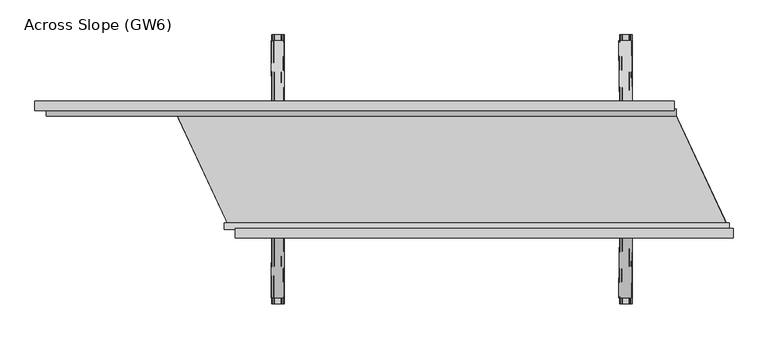
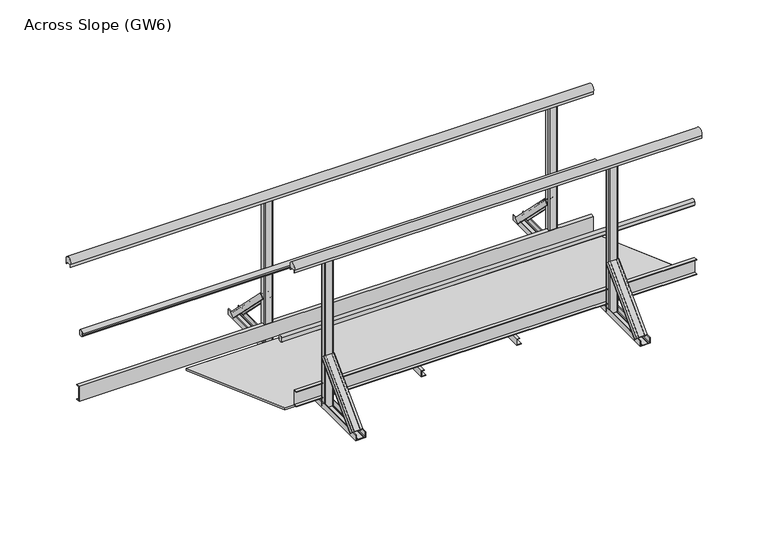
"""IFC4 building model written with IfcOpenShell, lengths in millimetres: proxy geometry, Across Slope (GW6)."""

import ifcopenshell
import ifcopenshell.guid

model = None  # the IFC model being written
_history = None  # IfcOwnerHistory: only IFC2X3 demands one
_inside = {}  # id of a spatial element -> (the spatial element, [elements in it])
_under = {}  # id of a project, library or spatial element -> (it, [spatial elements below it])
_declared = {}  # id of a project -> (the project, [libraries it declares])
_typed = {}  # id of a type object -> (the type object, [elements of that type])
_made_of = {}  # id of a material, layer set ... -> (it, [elements and type objects made of it])


def new_model(schema):
    """Start an empty IFC model of exactly this schema.

    Asked for "IFC4X3", IfcOpenShell would pick the latest addendum, in which some entities
    have other attributes; the version numbers below select the first issue.
    IFC2X3 requires an IfcOwnerHistory on every rooted entity: one is made here for all.
    """
    global model, _history
    if schema == "IFC4X3":
        model = ifcopenshell.file(schema_version=(4, 3, 0, 0))
    else:
        model = ifcopenshell.file(schema=schema)
    _inside.clear()
    _under.clear()
    _declared.clear()
    _typed.clear()
    _made_of.clear()
    _history = None
    if model.schema == "IFC2X3":
        org = make("IfcOrganization", Name="unknown")
        user = make(
            "IfcPersonAndOrganization",
            ThePerson=make("IfcPerson", FamilyName="unknown"),
            TheOrganization=org,
        )
        app = make(
            "IfcApplication",
            ApplicationDeveloper=org,
            Version="unknown",
            ApplicationFullName="unknown",
            ApplicationIdentifier="unknown",
        )
        _history = make(
            "IfcOwnerHistory",
            OwningUser=user,
            OwningApplication=app,
            ChangeAction="ADDED",
            CreationDate=0,
        )
    return model


def make(cls, **values):
    """One entity of the class cls with the attributes given. An attribute that is None is left unset."""
    return model.create_entity(
        cls, **{name: value for name, value in values.items() if value is not None}
    )


def rooted(cls, **values):
    """An entity with a GlobalId (a new one), such as an element, a storey or a relation."""
    return make(cls, GlobalId=ifcopenshell.guid.new(), OwnerHistory=_history, **values)


def si_unit(unit_type, name, prefix=None):
    """IfcSIUnit, for example si_unit("LENGTHUNIT", "METRE", prefix="MILLI")."""
    return make("IfcSIUnit", UnitType=unit_type, Prefix=prefix, Name=name)


def assignment(units):
    """IfcUnitAssignment: the units of a project."""
    return None if units is None else make("IfcUnitAssignment", Units=units)


def point(xyz):
    """IfcCartesianPoint."""
    return None if xyz is None else make("IfcCartesianPoint", Coordinates=xyz)


def direction(xyz):
    """IfcDirection."""
    return None if xyz is None else make("IfcDirection", DirectionRatios=xyz)


def frame(location, z_axis=None, x_axis=None):
    """IfcAxis2Placement3D, a coordinate frame: its origin and axes. An axis left out is left unset."""
    return make(
        "IfcAxis2Placement3D",
        Location=point(location),
        Axis=direction(z_axis),
        RefDirection=direction(x_axis),
    )


def frame_2d(location, x_axis=None):
    """IfcAxis2Placement2D, a coordinate frame in the plane: its origin and x axis."""
    return make(
        "IfcAxis2Placement2D", Location=point(location), RefDirection=direction(x_axis)
    )


def origin():
    """The frame at (0, 0, 0) with its axes left unset."""
    return frame((0.0, 0.0, 0.0))


def origin_with_axes():
    """The frame at (0, 0, 0) with the z axis (0, 0, 1) and the x axis (1, 0, 0) written out."""
    return frame((0.0, 0.0, 0.0), z_axis=(0.0, 0.0, 1.0), x_axis=(1.0, 0.0, 0.0))


def place(relative_to, where):
    """IfcLocalPlacement: puts the frame where relative to a parent placement (None: the world)."""
    return make(
        "IfcLocalPlacement", PlacementRelTo=relative_to, RelativePlacement=where
    )


def context(
    kind, dimensions, precision=None, world=None, true_north=None, identifier=None
):
    """IfcGeometricRepresentationContext, for example the 3D "Model" context."""
    return make(
        "IfcGeometricRepresentationContext",
        ContextIdentifier=identifier,
        ContextType=kind,
        CoordinateSpaceDimension=dimensions,
        Precision=precision,
        WorldCoordinateSystem=world,
        TrueNorth=true_north,
    )


def project(units=None, contexts=None):
    """IfcProject with its units and contexts."""
    return rooted(
        "IfcProject",
        Name="project",
        RepresentationContexts=contexts,
        UnitsInContext=assignment(units),
    )


def spatial(cls, under=None, at=None, **own):
    """A site, building, storey or space (cls), placed at a placement, below another one or the project."""
    s = rooted(cls, ObjectPlacement=at, **own)
    if under is not None:
        _under.setdefault(under.id(), (under, []))[1].append(s)
    return s


def polyline(points):
    """IfcPolyline through the points."""
    return make("IfcPolyline", Points=[point(p) for p in points])


def circle_curve(where, radius):
    """IfcCircle in the frame where."""
    return make("IfcCircle", Position=where, Radius=radius)


def trimmed(basis, trim1, trim2, sense, master):
    """IfcTrimmedCurve: the piece of a basis curve between two trims."""
    return make(
        "IfcTrimmedCurve",
        BasisCurve=basis,
        Trim1=trim1,
        Trim2=trim2,
        SenseAgreement=sense,
        MasterRepresentation=master,
    )


def segment(curve, same_sense, transition):
    """IfcCompositeCurveSegment."""
    return make(
        "IfcCompositeCurveSegment",
        Transition=transition,
        SameSense=same_sense,
        ParentCurve=curve,
    )


def composite_curve(segments, self_intersect=None):
    """IfcCompositeCurve: segments joined end to end."""
    return make("IfcCompositeCurve", Segments=segments, SelfIntersect=self_intersect)


def outline(outer, holes=None, kind="AREA"):
    """IfcArbitraryClosedProfileDef: a profile drawn as a closed curve; with holes, ...WithVoids."""
    if holes is None:
        return make("IfcArbitraryClosedProfileDef", ProfileType=kind, OuterCurve=outer)
    return make(
        "IfcArbitraryProfileDefWithVoids",
        ProfileType=kind,
        OuterCurve=outer,
        InnerCurves=holes,
    )


def extrude(swept, where, along, depth):
    """IfcExtrudedAreaSolid: the profile swept, set in the frame where, extruded along a direction by depth."""
    return make(
        "IfcExtrudedAreaSolid",
        SweptArea=swept,
        Position=where,
        ExtrudedDirection=direction(along),
        Depth=depth,
    )


def shape(context_of_items, identifier, shape_type, items):
    """IfcShapeRepresentation: the items that make up one representation, for example the "Body"."""
    return make(
        "IfcShapeRepresentation",
        ContextOfItems=context_of_items,
        RepresentationIdentifier=identifier,
        RepresentationType=shape_type,
        Items=items,
    )


def source(mapping_origin, context_of_items, identifier, shape_type, items):
    """IfcRepresentationMap: a shape defined once, which mapped items show again and again."""
    return make(
        "IfcRepresentationMap",
        MappingOrigin=mapping_origin,
        MappedRepresentation=shape(context_of_items, identifier, shape_type, items),
    )


def transform(
    local_origin,
    x_axis=None,
    y_axis=None,
    z_axis=None,
    scale=None,
    scale2=None,
    scale3=None,
    uniform=True,
):
    """IfcCartesianTransformationOperator3D, or its non-uniform kind. x_axis, y_axis, z_axis: its Axis1, 2, 3."""
    if uniform:
        return make(
            "IfcCartesianTransformationOperator3D",
            Axis1=direction(x_axis),
            Axis2=direction(y_axis),
            LocalOrigin=point(local_origin),
            Scale=scale,
            Axis3=direction(z_axis),
        )
    return make(
        "IfcCartesianTransformationOperator3DnonUniform",
        Axis1=direction(x_axis),
        Axis2=direction(y_axis),
        LocalOrigin=point(local_origin),
        Scale=scale,
        Axis3=direction(z_axis),
        Scale2=scale2,
        Scale3=scale3,
    )


def mapped(mapping_source, mapping_target):
    """IfcMappedItem: shows the shape of a source again, moved by a transform."""
    return make(
        "IfcMappedItem", MappingSource=mapping_source, MappingTarget=mapping_target
    )


def made_of(thing, what):
    """Note that an element or type object is made of a material, layer set ...; save() writes the relation."""
    if what is not None:
        _made_of.setdefault(what.id(), (what, []))[1].append(thing)
    return thing


def element(
    cls,
    number,
    at=None,
    inside=None,
    cuts=None,
    type_object=None,
    material=None,
    context=None,
    identifier="Body",
    shape_type=None,
    held_by="IfcProductDefinitionShape",
    body=None,
    shapes=None,
    **own,
):
    """One element of the class cls, such as IfcWall. Its Tag is "e" and its number.

    at: its placement. inside: the storey or other place that contains it. cuts: it is an
    opening in that element (IfcRelVoidsElement). A single representation is given by context,
    identifier, shape_type and body (its items); several are given by shapes. held_by: the class
    of the entity that holds the representations. save() writes the other relations.
    """
    e = rooted(cls, Tag="e%d" % number, ObjectPlacement=at, **own)
    if body is not None:
        shapes = [shape(context, identifier, shape_type, body)]
    if shapes is not None:
        e.Representation = make(held_by, Representations=shapes)
    if inside is not None:
        _inside.setdefault(inside.id(), (inside, []))[1].append(e)
    if cuts is not None:
        rooted(
            "IfcRelVoidsElement", RelatingBuildingElement=cuts, RelatedOpeningElement=e
        )
    if type_object is not None:
        _typed.setdefault(type_object.id(), (type_object, []))[1].append(e)
    return made_of(e, material)


def aggregate(whole, parts):
    """IfcRelAggregates: a whole, such as a stair, and the parts it consists of."""
    return rooted("IfcRelAggregates", RelatingObject=whole, RelatedObjects=parts)


def save(model, path):
    """Write the relations noted so far, then the file.

    IfcRelAggregates (storeys below a building ...), IfcRelContainedInSpatialStructure (elements
    in a storey), IfcRelDefinesByType, IfcRelAssociatesMaterial and IfcRelDeclares: one each for
    every whole, place, type object, material and project.
    """
    for whole, parts in _under.values():
        aggregate(whole, parts)
    for where, things in _inside.values():
        rooted(
            "IfcRelContainedInSpatialStructure",
            RelatedElements=things,
            RelatingStructure=where,
        )
    for kind, things in _typed.values():
        rooted("IfcRelDefinesByType", RelatedObjects=things, RelatingType=kind)
    for what, things in _made_of.values():
        rooted("IfcRelAssociatesMaterial", RelatedObjects=things, RelatingMaterial=what)
    for by, libraries in _declared.values():
        rooted("IfcRelDeclares", RelatingContext=by, RelatedDefinitions=libraries)
    model.write(path)


def plane_surface(at):
    """IfcPlane: the flat surface through the origin of the frame at, square to its z axis."""
    return make("IfcPlane", Position=at)


def extruded_surface(curve, direction_of_extrusion, depth):
    """IfcSurfaceOfLinearExtrusion: the curve pushed along a direction by depth."""
    return make(
        "IfcSurfaceOfLinearExtrusion",
        SweptCurve=make("IfcArbitraryOpenProfileDef", ProfileType="CURVE", Curve=curve),
        ExtrudedDirection=direction(direction_of_extrusion),
        Depth=depth,
    )


def advanced_brep(points, edges, surfaces, faces):
    """IfcAdvancedBrep: a solid bounded by faces that lie on surfaces and meet in shared edges.

    An edge is (start, end): straight between two places in points (the first is 0);
    or (start, end, curve); or (start, end, curve, False) where it runs against its curve.
    A face is (place in surfaces, loops), or (place, loops, False) where it looks against
    its surface's normal. A loop lists edges by number (the first is 1), with a minus sign
    where the edge is run from its end to its start. The first loop is the outer one.
    """
    corners = [point(p) for p in points]
    vertices = [make("IfcVertexPoint", VertexGeometry=c) for c in corners]
    made = []
    for start, end, *more in edges:
        made.append(
            make(
                "IfcEdgeCurve",
                EdgeStart=vertices[start],
                EdgeEnd=vertices[end],
                EdgeGeometry=more[0] if more else make("IfcPolyline", Points=[corners[start], corners[end]]),
                SameSense=more[1] if len(more) > 1 else True,
            )
        )
    hull = []
    for where, loops, *sense in faces:
        bounds = []
        for j, loop in enumerate(loops):
            ring = [make("IfcOrientedEdge", EdgeElement=made[abs(k) - 1], Orientation=k > 0) for k in loop]
            bounds.append(
                make(
                    "IfcFaceOuterBound" if j == 0 else "IfcFaceBound",
                    Bound=make("IfcEdgeLoop", EdgeList=ring),
                    Orientation=True,
                )
            )
        hull.append(make("IfcAdvancedFace", Bounds=bounds, FaceSurface=surfaces[where], SameSense=sense[0] if sense else True))
    return make("IfcAdvancedBrep", Outer=make("IfcClosedShell", CfsFaces=hull))


def across_slope_gw6_b999b6ca(model_context):
    return source(origin(), model_context, "Body", "SolidModel", [
        extrude(outline(polyline([(-34.5, 63.0), (-34.5, 66.0), (-12.5, 66.0), (-12.5, 160.0), (-34.5, 160.0), (-34.5, 163.0), (-9.5, 163.0), (-9.5, 63.0), (-34.5, 63.0)])), frame((333.6034865, 0.0, 0.0), z_axis=(1.0, 0.0, 0.0), x_axis=(0.0, 1.0, 0.0)), (0.0, 0.0, 1.0), 2542.9381096),
        extrude(outline(composite_curve([segment(polyline([(-10.5, 1001.43534), (-10.5, 983.0), (-11.5, 983.0), (-11.5, 998.0), (-51.5, 998.0), (-51.5, 983.0), (-52.5, 983.0), (-52.5, 1001.43534)]), True, "CONTINUOUS"), segment(trimmed(circle_curve(frame_2d((-31.5, 1015.0)), 25.0), [point((-52.5, 1001.43534))], [point((-10.5, 1001.43534))], False, "CARTESIAN"), True, "CONTINUOUS")], self_intersect=False)), frame((310.0, 0.0, 0.0), z_axis=(1.0, 0.0, 0.0), x_axis=(0.0, 1.0, 0.0)), (0.0, 0.0, 1.0), 2587.9381096),
        extrude(outline(composite_curve([segment(trimmed(circle_curve(frame_2d((3.212495, 528.0)), 20.0), [point((21.8, 520.617273))], [point((-12.5, 515.6259343))], False, "CARTESIAN"), True, "CONTINUOUS"), segment(polyline([(-12.5, 515.6259343), (-12.5, 540.3740657)]), True, "CONTINUOUS"), segment(trimmed(circle_curve(frame_2d((3.212495, 528.0)), 20.0), [point((-12.5, 540.3740657))], [point((21.8, 535.382727))], False, "CARTESIAN"), True, "CONTINUOUS"), segment(polyline([(21.8, 535.382727), (17.8, 535.382727), (17.8, 520.617273), (21.8, 520.617273)]), True, "CONTINUOUS")], self_intersect=False)), frame((255.0, 0.0, 0.0), z_axis=(1.0, 0.0, 0.0), x_axis=(0.0, 1.0, 0.0)), (0.0, 0.0, 1.0), 2622.9381096),
        extrude(outline(polyline([(634.5, 63.0), (609.5, 63.0), (609.5, 163.0), (634.5, 163.0), (634.5, 160.0), (612.5, 160.0), (612.5, 66.0), (634.5, 66.0), (634.5, 63.0)])), frame((-675.0, 0.0, 0.0), z_axis=(1.0, 0.0, 0.0), x_axis=(0.0, 1.0, 0.0)), (0.0, 0.0, 1.0), 3267.9381096),
        extrude(outline(composite_curve([segment(polyline([(578.2, 520.617273), (582.2, 520.617273), (582.2, 535.382727), (578.2, 535.382727)]), True, "CONTINUOUS"), segment(trimmed(circle_curve(frame_2d((596.787505, 528.0)), 20.0), [point((578.2, 535.382727))], [point((612.5, 540.3740657))], False, "CARTESIAN"), True, "CONTINUOUS"), segment(polyline([(612.5, 540.3740657), (612.5, 515.6259343)]), True, "CONTINUOUS"), segment(trimmed(circle_curve(frame_2d((596.787505, 528.0)), 20.0), [point((612.5, 515.6259343))], [point((578.2, 520.617273))], False, "CARTESIAN"), True, "CONTINUOUS")], self_intersect=False)), frame((-670.0, 0.0, 0.0), z_axis=(1.0, 0.0, 0.0), x_axis=(0.0, 1.0, 0.0)), (0.0, 0.0, 1.0), 3272.9381096),
        extrude(outline(composite_curve([segment(polyline([(652.5, 1001.43534), (652.5, 983.0), (651.5, 983.0), (651.5, 998.0), (611.5, 998.0), (611.5, 983.0), (610.5, 983.0), (610.5, 1001.43534)]), True, "CONTINUOUS"), segment(trimmed(circle_curve(frame_2d((631.5, 1015.0)), 25.0), [point((610.5, 1001.43534))], [point((652.5, 1001.43534))], False, "CARTESIAN"), True, "CONTINUOUS")], self_intersect=False)), frame((-730.0, 0.0, 0.0), z_axis=(1.0, 0.0, 0.0), x_axis=(0.0, 1.0, 0.0)), (0.0, 0.0, 1.0), 3322.9381096),
        extrude(outline(polyline([(0.0, 1754.292073), (2.0, 1754.292073), (2.0, 1726.292073), (38.0, 1726.292073), (38.0, 1744.292073), (40.0, 1744.292073), (40.0, 1724.292073), (0.0, 1724.292073), (0.0, 1754.292073)])), frame((0.0, -50.0, 0.0), z_axis=(0.0, 1.0, 0.0), x_axis=(0.0, 0.0, 1.0)), (0.0, 0.0, 1.0), 700.0),
        extrude(outline(polyline([(0.0, 1148.6460365), (2.0, 1148.6460365), (2.0, 1120.6460365), (38.0, 1120.6460365), (38.0, 1138.6460365), (40.0, 1138.6460365), (40.0, 1118.6460365), (0.0, 1118.6460365), (0.0, 1148.6460365)])), frame((0.0, -50.0, 0.0), z_axis=(0.0, 1.0, 0.0), x_axis=(0.0, 0.0, 1.0)), (0.0, 0.0, 1.0), 700.0),
        advanced_brep(
        [(2369.9381096, -368.6980515, 38.0), (2304.9381096, -368.6980515, 38.0), (2304.9381096, -342.888654, 12.1906025), (2307.9381096, -342.888654, 12.1906025), (2307.9381096, -366.5767312, 35.8786797), (2317.9381096, -366.5767312, 35.8786797), (2317.9381096, -364.8089642, 34.1109127), (2318.9381096, -364.8089642, 34.1109127), (2318.9381096, -366.5767312, 35.8786797), (2355.9381096, -366.5767312, 35.8786797), (2355.9381096, -364.8089642, 34.1109127), (2356.9381096, -364.8089642, 34.1109127), (2356.9381096, -366.5767312, 35.8786797), (2366.9381096, -366.5767312, 35.8786797), (2366.9381096, -342.888654, 12.1906025), (2369.9381096, -342.888654, 12.1906025), (2372.9381096, -50.5, 356.1980516), (2372.9381096, -24.6906025, 330.3886541), (2369.9381096, -24.6906025, 330.3886541), (2369.9381096, -48.3786797, 354.0767312), (2359.9381096, -48.3786797, 354.0767312), (2359.9381096, -46.6109127, 352.3089643), (2358.9381096, -46.6109127, 352.3089643), (2358.9381096, -48.3786797, 354.0767312), (2321.9381096, -48.3786797, 354.0767312), (2321.9381096, -46.6109127, 352.3089643), (2320.9381096, -46.6109127, 352.3089643), (2320.9381096, -48.3786797, 354.0767312), (2310.9381096, -48.3786797, 354.0767312), (2310.9381096, -24.6906025, 330.3886541), (2307.9381096, -24.6906025, 330.3886541), (2307.9381096, -50.5, 356.1980516)],
        [
            (0, 1),
            (1, 2),
            (2, 3, circle_curve(frame((2306.4381096, -342.888654, 12.1906025), z_axis=(0.0, -0.7071067811865506, -0.7071067811865446), x_axis=(0.0, -0.7071067811865446, 0.7071067811865506)), 1.5)),
            (3, 4),
            (4, 5),
            (5, 6),
            (6, 7, circle_curve(frame((2318.4381096, -364.8089642, 34.1109127), z_axis=(0.0, -0.7071067811865506, -0.7071067811865446), x_axis=(0.0, -0.7071067811865446, 0.7071067811865506)), 0.5)),
            (7, 8),
            (8, 9),
            (9, 10),
            (10, 11, circle_curve(frame((2356.4381096, -364.8089642, 34.1109127), z_axis=(0.0, -0.7071067811865506, -0.7071067811865446), x_axis=(0.0, -0.7071067811865446, 0.7071067811865506)), 0.5)),
            (11, 12),
            (12, 13),
            (13, 14),
            (14, 15, circle_curve(frame((2368.4381096, -342.888654, 12.1906025), z_axis=(0.0, -0.7071067811865506, -0.7071067811865446), x_axis=(0.0, -0.7071067811865446, 0.7071067811865506)), 1.5)),
            (15, 0),
            (16, 17),
            (17, 18, circle_curve(frame((2371.4381096, -24.6906025, 330.3886541), z_axis=(0.0, 0.7071067811865506, 0.7071067811865446), x_axis=(0.0, -0.7071067811865446, 0.7071067811865506)), 1.5)),
            (18, 19),
            (19, 20),
            (20, 21),
            (21, 22, circle_curve(frame((2359.4381096, -46.6109127, 352.3089643), z_axis=(0.0, 0.7071067811865506, 0.7071067811865446), x_axis=(0.0, -0.7071067811865446, 0.7071067811865506)), 0.5)),
            (22, 23),
            (23, 24),
            (24, 25),
            (25, 26, circle_curve(frame((2321.4381096, -46.6109127, 352.3089643), z_axis=(0.0, 0.7071067811865506, 0.7071067811865446), x_axis=(0.0, -0.7071067811865446, 0.7071067811865506)), 0.5)),
            (26, 27),
            (27, 28),
            (28, 29),
            (29, 30, circle_curve(frame((2309.4381096, -24.6906025, 330.3886541), z_axis=(0.0, 0.7071067811865506, 0.7071067811865446), x_axis=(0.0, -0.7071067811865446, 0.7071067811865506)), 1.5)),
            (30, 31),
            (31, 16),
            (16, 0),
            (15, 17),
            (14, 18),
            (13, 19),
            (12, 20),
            (11, 21),
            (10, 22),
            (9, 23),
            (8, 24),
            (7, 25),
            (6, 26),
            (5, 27),
            (4, 28),
            (3, 29),
            (2, 30),
            (1, 31),
        ],
        [
            plane_surface(frame((2337.4381096, -360.4779352, 29.7798837), z_axis=(0.0, -0.7071067811865502, -0.7071067811865449), x_axis=(0.0, 0.7071067811865449, -0.7071067811865502))),
            plane_surface(frame((2340.4381096, -42.2798837, 347.9779352), z_axis=(0.0, 0.7071067811865505, 0.7071067811865447), x_axis=(0.0, 0.7071067811865447, -0.7071067811865505))),
            plane_surface(frame((2372.9381096, -37.5953012, 343.2933528), z_axis=(0.9999777785184913, -0.004713940454838276, -0.004713940454838116), x_axis=(0.0, 0.7071067811865449, -0.7071067811865502))),
            extruded_surface(trimmed(circle_curve(frame((2368.4381096, -342.888654, 12.1906025), z_axis=(0.0, 0.7071067811865506, 0.7071067811865446), x_axis=(0.0, -0.7071067811865446, 0.7071067811865506)), 1.5), [point((2369.9381096, -342.888654, 12.1906025))], [point((2366.9381096, -342.888654, 12.1906025))], True, "CARTESIAN"), (3.0, 318.19805149999996, 318.1980516), 450.00999991159404),
            plane_surface(frame((2369.9381096, -36.5346411, 342.2326926), z_axis=(-0.9999777785184911, 0.004713940454837886, 0.00471394045483772), x_axis=(0.0, -0.7071067811865445, 0.7071067811865506))),
            plane_surface(frame((2364.9381096, -48.3786797, 354.0767312), z_axis=(0.0, 0.7071067811865455, -0.7071067811865496), x_axis=(-1.0, 0.0, 0.0))),
            plane_surface(frame((2359.9381096, -47.4947962, 353.1928478), z_axis=(0.9999777785184913, -0.004713940454838199, -0.0047139404548380325), x_axis=(0.0, 0.7071067811865445, -0.7071067811865507))),
            extruded_surface(trimmed(circle_curve(frame((2356.4381096, -364.8089642, 34.1109127), z_axis=(0.0, 0.7071067811865506, 0.7071067811865446), x_axis=(0.0, -0.7071067811865446, 0.7071067811865506)), 0.5), [point((2356.9381096, -364.8089642, 34.1109127))], [point((2355.9381096, -364.8089642, 34.1109127))], True, "CARTESIAN"), (3.0, 318.1980515, 318.1980516), 450.0099999115941),
            plane_surface(frame((2358.9381096, -47.4947962, 353.1928478), z_axis=(-0.9999777785184912, 0.004713940454838169, 0.0047139404548381045), x_axis=(0.0, -0.7071067811865521, 0.707106781186543))),
            plane_surface(frame((2340.4381096, -48.3786797, 354.0767312), z_axis=(0.0, 0.7071067811865461, -0.7071067811865491), x_axis=(-1.0, 0.0, 0.0))),
            plane_surface(frame((2321.9381096, -47.4947962, 353.1928478), z_axis=(0.9999777785184911, -0.004713940454838164, -0.004713940454837987), x_axis=(0.0, 0.7071067811865436, -0.7071067811865515))),
            extruded_surface(trimmed(circle_curve(frame((2318.4381096, -364.8089642, 34.1109127), z_axis=(0.0, 0.7071067811865506, 0.7071067811865446), x_axis=(0.0, -0.7071067811865446, 0.7071067811865506)), 0.5), [point((2318.9381096, -364.8089642, 34.1109127))], [point((2317.9381096, -364.8089642, 34.1109127))], True, "CARTESIAN"), (3.0, 318.1980515, 318.1980516), 450.0099999115941),
            plane_surface(frame((2320.9381096, -47.4947962, 353.1928478), z_axis=(-0.9999777785184913, 0.004713940454838203, 0.004713940454838003), x_axis=(0.0, -0.7071067811865419, 0.7071067811865532))),
            plane_surface(frame((2315.9381096, -48.3786797, 354.0767312), z_axis=(0.0, 0.7071067811865461, -0.7071067811865491), x_axis=(-1.0, 0.0, 0.0))),
            plane_surface(frame((2310.9381096, -36.5346411, 342.2326926), z_axis=(0.9999777785184911, -0.004713940454838192, -0.004713940454838038), x_axis=(0.0, 0.7071067811865454, -0.7071067811865497))),
            extruded_surface(trimmed(circle_curve(frame((2306.4381096, -342.888654, 12.1906025), z_axis=(0.0, 0.7071067811865506, 0.7071067811865446), x_axis=(0.0, -0.7071067811865446, 0.7071067811865506)), 1.5), [point((2307.9381096, -342.888654, 12.1906025))], [point((2304.9381096, -342.888654, 12.1906025))], True, "CARTESIAN"), (3.0, 318.19805149999996, 318.1980516), 450.00999991159404),
            plane_surface(frame((2307.9381096, -37.5953012, 343.2933528), z_axis=(-0.9999777785184911, 0.00471394045483825, 0.004713940454838091), x_axis=(0.0, -0.7071067811865449, 0.7071067811865501))),
            plane_surface(frame((2340.4381096, -50.5, 356.1980516), z_axis=(0.0, -0.7071067811865455, 0.7071067811865497), x_axis=(1.0, 0.0, 0.0))),
        ],
        [
            (0, [[1, 2, 3, 4, 5, 6, 7, 8, 9, 10, 11, 12, 13, 14, 15, 16]]),
            (1, [[17, 18, 19, 20, 21, 22, 23, 24, 25, 26, 27, 28, 29, 30, 31, 32]]),
            (2, [[33, -16, 34, -17]]),
            (3, [[-34, -15, 35, -18]]),
            (4, [[-35, -14, 36, -19]]),
            (5, [[-36, -13, 37, -20]]),
            (6, [[-37, -12, 38, -21]]),
            (7, [[-38, -11, 39, -22]]),
            (8, [[-39, -10, 40, -23]]),
            (9, [[-40, -9, 41, -24]]),
            (10, [[-41, -8, 42, -25]]),
            (11, [[-42, -7, 43, -26]]),
            (12, [[-43, -6, 44, -27]]),
            (13, [[-44, -5, 45, -28]]),
            (14, [[-45, -4, 46, -29]]),
            (15, [[-46, -3, 47, -30]]),
            (16, [[-47, -2, 48, -31]]),
            (17, [[-48, -1, -33, -32]]),
        ],
    ),
        extrude(outline(composite_curve([segment(polyline([(2363.4381096, -50.5), (2317.4381096, -50.5)]), True, "CONTINUOUS"), segment(trimmed(circle_curve(frame_2d((2317.4381096, -45.5)), 5.0), [point((2317.4381096, -50.5))], [point((2312.4381096, -45.5))], False, "CARTESIAN"), True, "CONTINUOUS"), segment(polyline([(2312.4381096, -45.5), (2312.4381096, -17.5)]), True, "CONTINUOUS"), segment(trimmed(circle_curve(frame_2d((2317.4381096, -17.5)), 5.0), [point((2312.4381096, -17.5))], [point((2317.4381096, -12.5))], False, "CARTESIAN"), True, "CONTINUOUS"), segment(polyline([(2317.4381096, -12.5), (2363.4381096, -12.5)]), True, "CONTINUOUS"), segment(trimmed(circle_curve(frame_2d((2363.4381096, -17.5)), 5.0), [point((2363.4381096, -12.5))], [point((2368.4381096, -17.5))], False, "CARTESIAN"), True, "CONTINUOUS"), segment(polyline([(2368.4381096, -17.5), (2368.4381096, -45.5)]), True, "CONTINUOUS"), segment(trimmed(circle_curve(frame_2d((2363.4381096, -45.5)), 5.0), [point((2368.4381096, -45.5))], [point((2363.4381096, -50.5))], False, "CARTESIAN"), True, "CONTINUOUS")], self_intersect=False)), origin_with_axes(), (0.0, 0.0, 1.0), 998.0),
        extrude(outline(composite_curve([segment(polyline([(2363.4381096, 612.5), (2317.4381096, 612.5)]), True, "CONTINUOUS"), segment(trimmed(circle_curve(frame_2d((2317.4381096, 617.5)), 5.0), [point((2317.4381096, 612.5))], [point((2312.4381096, 617.5))], False, "CARTESIAN"), True, "CONTINUOUS"), segment(polyline([(2312.4381096, 617.5), (2312.4381096, 645.5)]), True, "CONTINUOUS"), segment(trimmed(circle_curve(frame_2d((2317.4381096, 645.5)), 5.0), [point((2312.4381096, 645.5))], [point((2317.4381096, 650.5))], False, "CARTESIAN"), True, "CONTINUOUS"), segment(polyline([(2317.4381096, 650.5), (2363.4381096, 650.5)]), True, "CONTINUOUS"), segment(trimmed(circle_curve(frame_2d((2363.4381096, 645.5)), 5.0), [point((2363.4381096, 650.5))], [point((2368.4381096, 645.5))], False, "CARTESIAN"), True, "CONTINUOUS"), segment(polyline([(2368.4381096, 645.5), (2368.4381096, 617.5)]), True, "CONTINUOUS"), segment(trimmed(circle_curve(frame_2d((2363.4381096, 617.5)), 5.0), [point((2368.4381096, 617.5))], [point((2363.4381096, 612.5))], False, "CARTESIAN"), True, "CONTINUOUS")], self_intersect=False)), origin_with_axes(), (0.0, 0.0, 1.0), 998.0),
        advanced_brep(
        [(2304.9381096, 968.7087394, 38.0), (2369.9381096, 968.7087394, 38.0), (2369.9381096, 942.8993419, 12.1906025), (2366.9381096, 942.8993419, 12.1906025), (2366.9381096, 966.5874191, 35.8786797), (2356.9381096, 966.5874191, 35.8786797), (2356.9381096, 964.8196521, 34.1109127), (2355.9381096, 964.8196521, 34.1109127), (2355.9381096, 966.5874191, 35.8786797), (2318.9381096, 966.5874191, 35.8786797), (2318.9381096, 964.8196521, 34.1109127), (2317.9381096, 964.8196521, 34.1109127), (2317.9381096, 966.5874191, 35.8786797), (2307.9381096, 966.5874191, 35.8786797), (2307.9381096, 942.8993419, 12.1906025), (2304.9381096, 942.8993419, 12.1906025), (2307.9381096, 650.5106879, 356.1980516), (2307.9381096, 624.7012904, 330.3886541), (2310.9381096, 624.7012904, 330.3886541), (2310.9381096, 648.3893676, 354.0767312), (2320.9381096, 648.3893676, 354.0767312), (2320.9381096, 646.6216006, 352.3089643), (2321.9381096, 646.6216006, 352.3089643), (2321.9381096, 648.3893676, 354.0767312), (2358.9381096, 648.3893676, 354.0767312), (2358.9381096, 646.6216006, 352.3089643), (2359.9381096, 646.6216006, 352.3089643), (2359.9381096, 648.3893676, 354.0767312), (2369.9381096, 648.3893676, 354.0767312), (2369.9381096, 624.7012904, 330.3886541), (2372.9381096, 624.7012904, 330.3886541), (2372.9381096, 650.5106879, 356.1980516)],
        [
            (0, 1),
            (1, 2),
            (2, 3, circle_curve(frame((2368.4381096, 942.8993419, 12.1906025), z_axis=(0.0, 0.7071067811865432, -0.7071067811865519), x_axis=(0.0, -0.7071067811865519, -0.7071067811865432)), 1.5)),
            (3, 4),
            (4, 5),
            (5, 6),
            (6, 7, circle_curve(frame((2356.4381096, 964.8196521, 34.1109127), z_axis=(0.0, 0.7071067811865432, -0.7071067811865519), x_axis=(0.0, -0.7071067811865519, -0.7071067811865432)), 0.5)),
            (7, 8),
            (8, 9),
            (9, 10),
            (10, 11, circle_curve(frame((2318.4381096, 964.8196521, 34.1109127), z_axis=(0.0, 0.7071067811865432, -0.7071067811865519), x_axis=(0.0, -0.7071067811865519, -0.7071067811865432)), 0.5)),
            (11, 12),
            (12, 13),
            (13, 14),
            (14, 15, circle_curve(frame((2306.4381096, 942.8993419, 12.1906025), z_axis=(0.0, 0.7071067811865432, -0.7071067811865519), x_axis=(0.0, -0.7071067811865519, -0.7071067811865432)), 1.5)),
            (15, 0),
            (16, 17),
            (17, 18, circle_curve(frame((2309.4381096, 624.7012904, 330.3886541), z_axis=(0.0, -0.7071067811865432, 0.7071067811865519), x_axis=(0.0, -0.7071067811865519, -0.7071067811865432)), 1.5)),
            (18, 19),
            (19, 20),
            (20, 21),
            (21, 22, circle_curve(frame((2321.4381096, 646.6216006, 352.3089643), z_axis=(0.0, -0.7071067811865432, 0.7071067811865519), x_axis=(0.0, -0.7071067811865519, -0.7071067811865432)), 0.5)),
            (22, 23),
            (23, 24),
            (24, 25),
            (25, 26, circle_curve(frame((2359.4381096, 646.6216006, 352.3089643), z_axis=(0.0, -0.7071067811865432, 0.7071067811865519), x_axis=(0.0, -0.7071067811865519, -0.7071067811865432)), 0.5)),
            (26, 27),
            (27, 28),
            (28, 29),
            (29, 30, circle_curve(frame((2371.4381096, 624.7012904, 330.3886541), z_axis=(0.0, -0.7071067811865432, 0.7071067811865519), x_axis=(0.0, -0.7071067811865519, -0.7071067811865432)), 1.5)),
            (30, 31),
            (31, 16),
            (16, 0),
            (15, 17),
            (14, 18),
            (13, 19),
            (12, 20),
            (11, 21),
            (10, 22),
            (9, 23),
            (8, 24),
            (7, 25),
            (6, 26),
            (5, 27),
            (4, 28),
            (3, 29),
            (2, 30),
            (1, 31),
        ],
        [
            plane_surface(frame((2337.4381096, 960.4886231, 29.7798837), z_axis=(0.0, 0.707106781186543, -0.7071067811865521), x_axis=(0.0, -0.7071067811865521, -0.707106781186543))),
            plane_surface(frame((2340.4381096, 642.2905716, 347.9779352), z_axis=(0.0, -0.7071067811865432, 0.7071067811865519), x_axis=(0.0, -0.7071067811865519, -0.7071067811865432))),
            plane_surface(frame((2307.9381096, 637.6059891, 343.2933528), z_axis=(-0.9999777785184912, -0.004713940454842057, 0.004713940454841993), x_axis=(0.0, -0.7071067811865521, -0.707106781186543))),
            extruded_surface(trimmed(circle_curve(frame((2306.4381096, 942.8993419, 12.1906025), z_axis=(0.0, -0.7071067811865432, 0.7071067811865519), x_axis=(0.0, -0.7071067811865519, -0.7071067811865432)), 1.5), [point((2304.9381096, 942.8993419, 12.1906025))], [point((2307.9381096, 942.8993419, 12.1906025))], True, "CARTESIAN"), (3.0, -318.1980515, 318.1980516), 450.0099999115941),
            plane_surface(frame((2310.9381096, 636.545329, 342.2326926), z_axis=(0.9999777785184912, 0.004713940454842057, -0.004713940454841993), x_axis=(0.0, 0.7071067811865521, 0.707106781186543))),
            plane_surface(frame((2315.9381096, 648.3893676, 354.0767312), z_axis=(0.0, -0.7071067811865525, -0.7071067811865427), x_axis=(1.0, 0.0, 0.0))),
            plane_surface(frame((2320.9381096, 647.5054841, 353.1928478), z_axis=(-0.9999777785184911, -0.004713940454842033, 0.004713940454842016), x_axis=(0.0, -0.7071067811865557, -0.7071067811865394))),
            extruded_surface(trimmed(circle_curve(frame((2318.4381096, 964.8196521, 34.1109127), z_axis=(0.0, -0.7071067811865432, 0.7071067811865519), x_axis=(0.0, -0.7071067811865519, -0.7071067811865432)), 0.5), [point((2317.9381096, 964.8196521, 34.1109127))], [point((2318.9381096, 964.8196521, 34.1109127))], True, "CARTESIAN"), (3.0, -318.1980515, 318.1980516), 450.0099999115941),
            plane_surface(frame((2321.9381096, 647.5054841, 353.1928478), z_axis=(0.9999777785184911, 0.004713940454842045, -0.004713940454842029), x_axis=(0.0, 0.7071067811865557, 0.7071067811865394))),
            plane_surface(frame((2340.4381096, 648.3893676, 354.0767312), z_axis=(0.0, -0.7071067811865525, -0.7071067811865427), x_axis=(1.0, 0.0, 0.0))),
            plane_surface(frame((2358.9381096, 647.5054841, 353.1928478), z_axis=(-0.9999777785184911, -0.004713940454842039, 0.004713940454842022), x_axis=(0.0, -0.7071067811865557, -0.7071067811865394))),
            extruded_surface(trimmed(circle_curve(frame((2356.4381096, 964.8196521, 34.1109127), z_axis=(0.0, -0.7071067811865432, 0.7071067811865519), x_axis=(0.0, -0.7071067811865519, -0.7071067811865432)), 0.5), [point((2355.9381096, 964.8196521, 34.1109127))], [point((2356.9381096, 964.8196521, 34.1109127))], True, "CARTESIAN"), (3.0, -318.1980515, 318.1980516), 450.0099999115941),
            plane_surface(frame((2359.9381096, 647.5054841, 353.1928478), z_axis=(0.9999777785184911, 0.004713940454842066, -0.004713940454841994), x_axis=(0.0, 0.7071067811865515, 0.7071067811865436))),
            plane_surface(frame((2364.9381096, 648.3893676, 354.0767312), z_axis=(0.0, -0.7071067811865522, -0.707106781186543), x_axis=(1.0, 0.0, 0.0))),
            plane_surface(frame((2369.9381096, 636.545329, 342.2326926), z_axis=(-0.9999777785184911, -0.004713940454842064, 0.004713940454841998), x_axis=(0.0, -0.707106781186552, -0.7071067811865431))),
            extruded_surface(trimmed(circle_curve(frame((2368.4381096, 942.8993419, 12.1906025), z_axis=(0.0, -0.7071067811865432, 0.7071067811865519), x_axis=(0.0, -0.7071067811865519, -0.7071067811865432)), 1.5), [point((2366.9381096, 942.8993419, 12.1906025))], [point((2369.9381096, 942.8993419, 12.1906025))], True, "CARTESIAN"), (3.0, -318.1980515, 318.1980516), 450.0099999115941),
            plane_surface(frame((2372.9381096, 637.6059891, 343.2933528), z_axis=(0.9999777785184913, 0.004713940454842066, -0.004713940454841998), x_axis=(0.0, 0.7071067811865519, 0.7071067811865432))),
            plane_surface(frame((2340.4381096, 650.5106879, 356.1980516), z_axis=(0.0, 0.7071067811865526, 0.7071067811865427), x_axis=(-1.0, 0.0, 0.0))),
        ],
        [
            (0, [[1, 2, 3, 4, 5, 6, 7, 8, 9, 10, 11, 12, 13, 14, 15, 16]]),
            (1, [[17, 18, 19, 20, 21, 22, 23, 24, 25, 26, 27, 28, 29, 30, 31, 32]]),
            (2, [[33, -16, 34, -17]]),
            (3, [[-34, -15, 35, -18]]),
            (4, [[-35, -14, 36, -19]]),
            (5, [[-36, -13, 37, -20]]),
            (6, [[-37, -12, 38, -21]]),
            (7, [[-38, -11, 39, -22]]),
            (8, [[-39, -10, 40, -23]]),
            (9, [[-40, -9, 41, -24]]),
            (10, [[-41, -8, 42, -25]]),
            (11, [[-42, -7, 43, -26]]),
            (12, [[-43, -6, 44, -27]]),
            (13, [[-44, -5, 45, -28]]),
            (14, [[-45, -4, 46, -29]]),
            (15, [[-46, -3, 47, -30]]),
            (16, [[-47, -2, 48, -31]]),
            (17, [[-48, -1, -33, -32]]),
        ],
    ),
        extrude(outline(composite_curve([segment(polyline([(0.0, 2307.9381096), (0.0, 2372.9381096), (36.5, 2372.9381096)]), True, "CONTINUOUS"), segment(trimmed(circle_curve(frame_2d((36.5, 2371.4381096)), 1.5), [point((36.5, 2372.9381096))], [point((36.5, 2369.9381096))], False, "CARTESIAN"), True, "CONTINUOUS"), segment(polyline([(36.5, 2369.9381096), (3.0, 2369.9381096), (3.0, 2359.9381096), (5.5, 2359.9381096)]), True, "CONTINUOUS"), segment(trimmed(circle_curve(frame_2d((5.5, 2359.4381096)), 0.5), [point((5.5, 2359.9381096))], [point((5.5, 2358.9381096))], False, "CARTESIAN"), True, "CONTINUOUS"), segment(polyline([(5.5, 2358.9381096), (3.0, 2358.9381096), (3.0, 2321.9381096), (5.5, 2321.9381096)]), True, "CONTINUOUS"), segment(trimmed(circle_curve(frame_2d((5.5, 2321.4381096)), 0.5), [point((5.5, 2321.9381096))], [point((5.5, 2320.9381096))], False, "CARTESIAN"), True, "CONTINUOUS"), segment(polyline([(5.5, 2320.9381096), (3.0, 2320.9381096), (3.0, 2310.9381096), (36.5, 2310.9381096)]), True, "CONTINUOUS"), segment(trimmed(circle_curve(frame_2d((36.5, 2309.4381096)), 1.5), [point((36.5, 2310.9381096))], [point((36.5, 2307.9381096))], False, "CARTESIAN"), True, "CONTINUOUS"), segment(polyline([(36.5, 2307.9381096), (0.0, 2307.9381096)]), True, "CONTINUOUS")], self_intersect=False)), frame((0.0, -400.0, 0.0), z_axis=(0.0, 1.0, 0.0), x_axis=(0.0, 0.0, 1.0)), (0.0, 0.0, 1.0), 1400.0),
        advanced_brep(
        [(562.0, -368.6980515, 38.0), (497.0, -368.6980515, 38.0), (497.0, -342.888654, 12.1906025), (500.0, -342.888654, 12.1906025), (500.0, -366.5767312, 35.8786797), (510.0, -366.5767312, 35.8786797), (510.0, -364.8089642, 34.1109127), (511.0, -364.8089642, 34.1109127), (511.0, -366.5767312, 35.8786797), (548.0, -366.5767312, 35.8786797), (548.0, -364.8089642, 34.1109127), (549.0, -364.8089642, 34.1109127), (549.0, -366.5767312, 35.8786797), (559.0, -366.5767312, 35.8786797), (559.0, -342.888654, 12.1906025), (562.0, -342.888654, 12.1906025), (565.0, -50.5, 356.1980515), (565.0, -24.6906025, 330.388654), (562.0, -24.6906025, 330.388654), (562.0, -48.3786797, 354.0767312), (552.0, -48.3786797, 354.0767312), (552.0, -46.6109127, 352.3089642), (551.0, -46.6109127, 352.3089642), (551.0, -48.3786797, 354.0767312), (514.0, -48.3786797, 354.0767312), (514.0, -46.6109127, 352.3089642), (513.0, -46.6109127, 352.3089642), (513.0, -48.3786797, 354.0767312), (503.0, -48.3786797, 354.0767312), (503.0, -24.6906025, 330.388654), (500.0, -24.6906025, 330.388654), (500.0, -50.5, 356.1980515)],
        [
            (0, 1),
            (1, 2),
            (2, 3, circle_curve(frame((498.5, -342.888654, 12.1906025), z_axis=(0.0, -0.7071067811865506, -0.7071067811865446), x_axis=(0.0, -0.7071067811865446, 0.7071067811865506)), 1.5)),
            (3, 4),
            (4, 5),
            (5, 6),
            (6, 7, circle_curve(frame((510.5, -364.8089642, 34.1109127), z_axis=(0.0, -0.7071067811865506, -0.7071067811865446), x_axis=(0.0, -0.7071067811865446, 0.7071067811865506)), 0.5)),
            (7, 8),
            (8, 9),
            (9, 10),
            (10, 11, circle_curve(frame((548.5, -364.8089642, 34.1109127), z_axis=(0.0, -0.7071067811865506, -0.7071067811865446), x_axis=(0.0, -0.7071067811865446, 0.7071067811865506)), 0.5)),
            (11, 12),
            (12, 13),
            (13, 14),
            (14, 15, circle_curve(frame((560.5, -342.888654, 12.1906025), z_axis=(0.0, -0.7071067811865506, -0.7071067811865446), x_axis=(0.0, -0.7071067811865446, 0.7071067811865506)), 1.5)),
            (15, 0),
            (16, 17),
            (17, 18, circle_curve(frame((563.5, -24.6906025, 330.388654), z_axis=(0.0, 0.7071067811865506, 0.7071067811865446), x_axis=(0.0, -0.7071067811865446, 0.7071067811865506)), 1.5)),
            (18, 19),
            (19, 20),
            (20, 21),
            (21, 22, circle_curve(frame((551.5, -46.6109127, 352.3089642), z_axis=(0.0, 0.7071067811865506, 0.7071067811865446), x_axis=(0.0, -0.7071067811865446, 0.7071067811865506)), 0.5)),
            (22, 23),
            (23, 24),
            (24, 25),
            (25, 26, circle_curve(frame((513.5, -46.6109127, 352.3089642), z_axis=(0.0, 0.7071067811865506, 0.7071067811865446), x_axis=(0.0, -0.7071067811865446, 0.7071067811865506)), 0.5)),
            (26, 27),
            (27, 28),
            (28, 29),
            (29, 30, circle_curve(frame((501.5, -24.6906025, 330.388654), z_axis=(0.0, 0.7071067811865506, 0.7071067811865446), x_axis=(0.0, -0.7071067811865446, 0.7071067811865506)), 1.5)),
            (30, 31),
            (31, 16),
            (16, 0),
            (15, 17),
            (14, 18),
            (13, 19),
            (12, 20),
            (11, 21),
            (10, 22),
            (9, 23),
            (8, 24),
            (7, 25),
            (6, 26),
            (5, 27),
            (4, 28),
            (3, 29),
            (2, 30),
            (1, 31),
        ],
        [
            plane_surface(frame((529.5, -360.4779352, 29.7798837), z_axis=(0.0, -0.7071067811865502, -0.7071067811865449), x_axis=(0.0, 0.7071067811865449, -0.7071067811865502))),
            plane_surface(frame((532.5, -42.2798837, 347.9779352), z_axis=(0.0, 0.7071067811865505, 0.7071067811865447), x_axis=(0.0, 0.7071067811865447, -0.7071067811865505))),
            plane_surface(frame((565.0, -37.5953012, 343.2933528), z_axis=(0.9999777785184913, -0.004713940454838276, -0.004713940454838116), x_axis=(0.0, 0.7071067811865449, -0.7071067811865502))),
            extruded_surface(trimmed(circle_curve(frame((560.5, -342.888654, 12.1906025), z_axis=(0.0, 0.7071067811865506, 0.7071067811865446), x_axis=(0.0, -0.7071067811865446, 0.7071067811865506)), 1.5), [point((562.0, -342.888654, 12.1906025))], [point((559.0, -342.888654, 12.1906025))], True, "CARTESIAN"), (3.0, 318.19805149999996, 318.19805149999996), 450.009999840885),
            plane_surface(frame((562.0, -36.5346411, 342.2326926), z_axis=(-0.9999777785184911, 0.004713940454837886, 0.00471394045483772), x_axis=(0.0, -0.7071067811865445, 0.7071067811865506))),
            plane_surface(frame((557.0, -48.3786797, 354.0767312), z_axis=(0.0, 0.7071067811865455, -0.7071067811865496), x_axis=(-1.0, 0.0, 0.0))),
            plane_surface(frame((552.0, -47.4947962, 353.1928477), z_axis=(0.9999777785184913, -0.004713940454838199, -0.0047139404548380325), x_axis=(0.0, 0.7071067811865445, -0.7071067811865507))),
            extruded_surface(trimmed(circle_curve(frame((548.5, -364.8089642, 34.1109127), z_axis=(0.0, 0.7071067811865506, 0.7071067811865446), x_axis=(0.0, -0.7071067811865446, 0.7071067811865506)), 0.5), [point((549.0, -364.8089642, 34.1109127))], [point((548.0, -364.8089642, 34.1109127))], True, "CARTESIAN"), (3.0, 318.1980515, 318.1980515), 450.00999984088503),
            plane_surface(frame((551.0, -47.4947962, 353.1928477), z_axis=(-0.9999777785184912, 0.004713940454838169, 0.0047139404548381045), x_axis=(0.0, -0.7071067811865521, 0.707106781186543))),
            plane_surface(frame((532.5, -48.3786797, 354.0767312), z_axis=(0.0, 0.7071067811865461, -0.7071067811865491), x_axis=(-1.0, 0.0, 0.0))),
            plane_surface(frame((514.0, -47.4947962, 353.1928477), z_axis=(0.9999777785184911, -0.004713940454838164, -0.004713940454837987), x_axis=(0.0, 0.7071067811865436, -0.7071067811865515))),
            extruded_surface(trimmed(circle_curve(frame((510.5, -364.8089642, 34.1109127), z_axis=(0.0, 0.7071067811865506, 0.7071067811865446), x_axis=(0.0, -0.7071067811865446, 0.7071067811865506)), 0.5), [point((511.0, -364.8089642, 34.1109127))], [point((510.0, -364.8089642, 34.1109127))], True, "CARTESIAN"), (3.0, 318.1980515, 318.1980515), 450.00999984088503),
            plane_surface(frame((513.0, -47.4947962, 353.1928477), z_axis=(-0.9999777785184913, 0.004713940454838203, 0.004713940454838003), x_axis=(0.0, -0.7071067811865419, 0.7071067811865532))),
            plane_surface(frame((508.0, -48.3786797, 354.0767312), z_axis=(0.0, 0.7071067811865461, -0.7071067811865491), x_axis=(-1.0, 0.0, 0.0))),
            plane_surface(frame((503.0, -36.5346411, 342.2326926), z_axis=(0.9999777785184911, -0.004713940454838192, -0.004713940454838038), x_axis=(0.0, 0.7071067811865454, -0.7071067811865497))),
            extruded_surface(trimmed(circle_curve(frame((498.5, -342.888654, 12.1906025), z_axis=(0.0, 0.7071067811865506, 0.7071067811865446), x_axis=(0.0, -0.7071067811865446, 0.7071067811865506)), 1.5), [point((500.0, -342.888654, 12.1906025))], [point((497.0, -342.888654, 12.1906025))], True, "CARTESIAN"), (3.0, 318.19805149999996, 318.19805149999996), 450.009999840885),
            plane_surface(frame((500.0, -37.5953012, 343.2933528), z_axis=(-0.9999777785184911, 0.00471394045483825, 0.004713940454838091), x_axis=(0.0, -0.7071067811865449, 0.7071067811865501))),
            plane_surface(frame((532.5, -50.5, 356.1980515), z_axis=(0.0, -0.7071067811865455, 0.7071067811865497), x_axis=(1.0, 0.0, 0.0))),
        ],
        [
            (0, [[1, 2, 3, 4, 5, 6, 7, 8, 9, 10, 11, 12, 13, 14, 15, 16]]),
            (1, [[17, 18, 19, 20, 21, 22, 23, 24, 25, 26, 27, 28, 29, 30, 31, 32]]),
            (2, [[33, -16, 34, -17]]),
            (3, [[-34, -15, 35, -18]]),
            (4, [[-35, -14, 36, -19]]),
            (5, [[-36, -13, 37, -20]]),
            (6, [[-37, -12, 38, -21]]),
            (7, [[-38, -11, 39, -22]]),
            (8, [[-39, -10, 40, -23]]),
            (9, [[-40, -9, 41, -24]]),
            (10, [[-41, -8, 42, -25]]),
            (11, [[-42, -7, 43, -26]]),
            (12, [[-43, -6, 44, -27]]),
            (13, [[-44, -5, 45, -28]]),
            (14, [[-45, -4, 46, -29]]),
            (15, [[-46, -3, 47, -30]]),
            (16, [[-47, -2, 48, -31]]),
            (17, [[-48, -1, -33, -32]]),
        ],
    ),
        extrude(outline(composite_curve([segment(polyline([(555.5, -50.5), (509.5, -50.5)]), True, "CONTINUOUS"), segment(trimmed(circle_curve(frame_2d((509.5, -45.5)), 5.0), [point((509.5, -50.5))], [point((504.5, -45.5))], False, "CARTESIAN"), True, "CONTINUOUS"), segment(polyline([(504.5, -45.5), (504.5, -17.5)]), True, "CONTINUOUS"), segment(trimmed(circle_curve(frame_2d((509.5, -17.5)), 5.0), [point((504.5, -17.5))], [point((509.5, -12.5))], False, "CARTESIAN"), True, "CONTINUOUS"), segment(polyline([(509.5, -12.5), (555.5, -12.5)]), True, "CONTINUOUS"), segment(trimmed(circle_curve(frame_2d((555.5, -17.5)), 5.0), [point((555.5, -12.5))], [point((560.5, -17.5))], False, "CARTESIAN"), True, "CONTINUOUS"), segment(polyline([(560.5, -17.5), (560.5, -45.5)]), True, "CONTINUOUS"), segment(trimmed(circle_curve(frame_2d((555.5, -45.5)), 5.0), [point((560.5, -45.5))], [point((555.5, -50.5))], False, "CARTESIAN"), True, "CONTINUOUS")], self_intersect=False)), origin_with_axes(), (0.0, 0.0, 1.0), 998.0),
        extrude(outline(composite_curve([segment(polyline([(555.5, 612.5), (509.5, 612.5)]), True, "CONTINUOUS"), segment(trimmed(circle_curve(frame_2d((509.5, 617.5)), 5.0), [point((509.5, 612.5))], [point((504.5, 617.5))], False, "CARTESIAN"), True, "CONTINUOUS"), segment(polyline([(504.5, 617.5), (504.5, 645.5)]), True, "CONTINUOUS"), segment(trimmed(circle_curve(frame_2d((509.5, 645.5)), 5.0), [point((504.5, 645.5))], [point((509.5, 650.5))], False, "CARTESIAN"), True, "CONTINUOUS"), segment(polyline([(509.5, 650.5), (555.5, 650.5)]), True, "CONTINUOUS"), segment(trimmed(circle_curve(frame_2d((555.5, 645.5)), 5.0), [point((555.5, 650.5))], [point((560.5, 645.5))], False, "CARTESIAN"), True, "CONTINUOUS"), segment(polyline([(560.5, 645.5), (560.5, 617.5)]), True, "CONTINUOUS"), segment(trimmed(circle_curve(frame_2d((555.5, 617.5)), 5.0), [point((560.5, 617.5))], [point((555.5, 612.5))], False, "CARTESIAN"), True, "CONTINUOUS")], self_intersect=False)), origin_with_axes(), (0.0, 0.0, 1.0), 998.0),
        advanced_brep(
        [(497.0, 968.7087394, 38.0), (562.0, 968.7087394, 38.0), (562.0, 942.8993419, 12.1906025), (559.0, 942.8993419, 12.1906025), (559.0, 966.5874191, 35.8786797), (549.0, 966.5874191, 35.8786797), (549.0, 964.8196521, 34.1109127), (548.0, 964.8196521, 34.1109127), (548.0, 966.5874191, 35.8786797), (511.0, 966.5874191, 35.8786797), (511.0, 964.8196521, 34.1109127), (510.0, 964.8196521, 34.1109127), (510.0, 966.5874191, 35.8786797), (500.0, 966.5874191, 35.8786797), (500.0, 942.8993419, 12.1906025), (497.0, 942.8993419, 12.1906025), (500.0, 650.5106879, 356.1980515), (500.0, 624.7012904, 330.388654), (503.0, 624.7012904, 330.388654), (503.0, 648.3893676, 354.0767312), (513.0, 648.3893676, 354.0767312), (513.0, 646.6216006, 352.3089642), (514.0, 646.6216006, 352.3089642), (514.0, 648.3893676, 354.0767312), (551.0, 648.3893676, 354.0767312), (551.0, 646.6216006, 352.3089642), (552.0, 646.6216006, 352.3089642), (552.0, 648.3893676, 354.0767312), (562.0, 648.3893676, 354.0767312), (562.0, 624.7012904, 330.388654), (565.0, 624.7012904, 330.388654), (565.0, 650.5106879, 356.1980515)],
        [
            (0, 1),
            (1, 2),
            (2, 3, circle_curve(frame((560.5, 942.8993419, 12.1906025), z_axis=(0.0, 0.7071067811865432, -0.7071067811865519), x_axis=(0.0, -0.7071067811865519, -0.7071067811865432)), 1.5)),
            (3, 4),
            (4, 5),
            (5, 6),
            (6, 7, circle_curve(frame((548.5, 964.8196521, 34.1109127), z_axis=(0.0, 0.7071067811865432, -0.7071067811865519), x_axis=(0.0, -0.7071067811865519, -0.7071067811865432)), 0.5)),
            (7, 8),
            (8, 9),
            (9, 10),
            (10, 11, circle_curve(frame((510.5, 964.8196521, 34.1109127), z_axis=(0.0, 0.7071067811865432, -0.7071067811865519), x_axis=(0.0, -0.7071067811865519, -0.7071067811865432)), 0.5)),
            (11, 12),
            (12, 13),
            (13, 14),
            (14, 15, circle_curve(frame((498.5, 942.8993419, 12.1906025), z_axis=(0.0, 0.7071067811865432, -0.7071067811865519), x_axis=(0.0, -0.7071067811865519, -0.7071067811865432)), 1.5)),
            (15, 0),
            (16, 17),
            (17, 18, circle_curve(frame((501.5, 624.7012904, 330.388654), z_axis=(0.0, -0.7071067811865432, 0.7071067811865519), x_axis=(0.0, -0.7071067811865519, -0.7071067811865432)), 1.5)),
            (18, 19),
            (19, 20),
            (20, 21),
            (21, 22, circle_curve(frame((513.5, 646.6216006, 352.3089642), z_axis=(0.0, -0.7071067811865432, 0.7071067811865519), x_axis=(0.0, -0.7071067811865519, -0.7071067811865432)), 0.5)),
            (22, 23),
            (23, 24),
            (24, 25),
            (25, 26, circle_curve(frame((551.5, 646.6216006, 352.3089642), z_axis=(0.0, -0.7071067811865432, 0.7071067811865519), x_axis=(0.0, -0.7071067811865519, -0.7071067811865432)), 0.5)),
            (26, 27),
            (27, 28),
            (28, 29),
            (29, 30, circle_curve(frame((563.5, 624.7012904, 330.388654), z_axis=(0.0, -0.7071067811865432, 0.7071067811865519), x_axis=(0.0, -0.7071067811865519, -0.7071067811865432)), 1.5)),
            (30, 31),
            (31, 16),
            (16, 0),
            (15, 17),
            (14, 18),
            (13, 19),
            (12, 20),
            (11, 21),
            (10, 22),
            (9, 23),
            (8, 24),
            (7, 25),
            (6, 26),
            (5, 27),
            (4, 28),
            (3, 29),
            (2, 30),
            (1, 31),
        ],
        [
            plane_surface(frame((529.5, 960.4886231, 29.7798837), z_axis=(0.0, 0.707106781186543, -0.7071067811865521), x_axis=(0.0, -0.7071067811865521, -0.707106781186543))),
            plane_surface(frame((532.5, 642.2905716, 347.9779352), z_axis=(0.0, -0.7071067811865432, 0.7071067811865519), x_axis=(0.0, -0.7071067811865519, -0.7071067811865432))),
            plane_surface(frame((500.0, 637.6059891, 343.2933528), z_axis=(-0.9999777785184912, -0.004713940454842057, 0.004713940454841993), x_axis=(0.0, -0.7071067811865521, -0.707106781186543))),
            extruded_surface(trimmed(circle_curve(frame((498.5, 942.8993419, 12.1906025), z_axis=(0.0, -0.7071067811865432, 0.7071067811865519), x_axis=(0.0, -0.7071067811865519, -0.7071067811865432)), 1.5), [point((497.0, 942.8993419, 12.1906025))], [point((500.0, 942.8993419, 12.1906025))], True, "CARTESIAN"), (3.0, -318.1980515, 318.19805149999996), 450.009999840885),
            plane_surface(frame((503.0, 636.545329, 342.2326926), z_axis=(0.9999777785184912, 0.004713940454842057, -0.004713940454841993), x_axis=(0.0, 0.7071067811865521, 0.707106781186543))),
            plane_surface(frame((508.0, 648.3893676, 354.0767312), z_axis=(0.0, -0.7071067811865525, -0.7071067811865427), x_axis=(1.0, 0.0, 0.0))),
            plane_surface(frame((513.0, 647.5054841, 353.1928477), z_axis=(-0.9999777785184911, -0.004713940454842033, 0.004713940454842016), x_axis=(0.0, -0.7071067811865557, -0.7071067811865394))),
            extruded_surface(trimmed(circle_curve(frame((510.5, 964.8196521, 34.1109127), z_axis=(0.0, -0.7071067811865432, 0.7071067811865519), x_axis=(0.0, -0.7071067811865519, -0.7071067811865432)), 0.5), [point((510.0, 964.8196521, 34.1109127))], [point((511.0, 964.8196521, 34.1109127))], True, "CARTESIAN"), (3.0, -318.1980515, 318.1980515), 450.00999984088503),
            plane_surface(frame((514.0, 647.5054841, 353.1928477), z_axis=(0.9999777785184911, 0.004713940454842045, -0.004713940454842029), x_axis=(0.0, 0.7071067811865557, 0.7071067811865394))),
            plane_surface(frame((532.5, 648.3893676, 354.0767312), z_axis=(0.0, -0.7071067811865525, -0.7071067811865427), x_axis=(1.0, 0.0, 0.0))),
            plane_surface(frame((551.0, 647.5054841, 353.1928477), z_axis=(-0.9999777785184911, -0.004713940454842039, 0.004713940454842022), x_axis=(0.0, -0.7071067811865557, -0.7071067811865394))),
            extruded_surface(trimmed(circle_curve(frame((548.5, 964.8196521, 34.1109127), z_axis=(0.0, -0.7071067811865432, 0.7071067811865519), x_axis=(0.0, -0.7071067811865519, -0.7071067811865432)), 0.5), [point((548.0, 964.8196521, 34.1109127))], [point((549.0, 964.8196521, 34.1109127))], True, "CARTESIAN"), (3.0, -318.1980515, 318.1980515), 450.00999984088503),
            plane_surface(frame((552.0, 647.5054841, 353.1928477), z_axis=(0.9999777785184911, 0.004713940454842066, -0.004713940454841994), x_axis=(0.0, 0.7071067811865515, 0.7071067811865436))),
            plane_surface(frame((557.0, 648.3893676, 354.0767312), z_axis=(0.0, -0.7071067811865522, -0.707106781186543), x_axis=(1.0, 0.0, 0.0))),
            plane_surface(frame((562.0, 636.545329, 342.2326926), z_axis=(-0.9999777785184911, -0.004713940454842064, 0.004713940454841998), x_axis=(0.0, -0.707106781186552, -0.7071067811865431))),
            extruded_surface(trimmed(circle_curve(frame((560.5, 942.8993419, 12.1906025), z_axis=(0.0, -0.7071067811865432, 0.7071067811865519), x_axis=(0.0, -0.7071067811865519, -0.7071067811865432)), 1.5), [point((559.0, 942.8993419, 12.1906025))], [point((562.0, 942.8993419, 12.1906025))], True, "CARTESIAN"), (3.0, -318.1980515, 318.19805149999996), 450.009999840885),
            plane_surface(frame((565.0, 637.6059891, 343.2933528), z_axis=(0.9999777785184913, 0.004713940454842066, -0.004713940454841998), x_axis=(0.0, 0.7071067811865519, 0.7071067811865432))),
            plane_surface(frame((532.5, 650.5106879, 356.1980515), z_axis=(0.0, 0.7071067811865526, 0.7071067811865427), x_axis=(-1.0, 0.0, 0.0))),
        ],
        [
            (0, [[1, 2, 3, 4, 5, 6, 7, 8, 9, 10, 11, 12, 13, 14, 15, 16]]),
            (1, [[17, 18, 19, 20, 21, 22, 23, 24, 25, 26, 27, 28, 29, 30, 31, 32]]),
            (2, [[33, -16, 34, -17]]),
            (3, [[-34, -15, 35, -18]]),
            (4, [[-35, -14, 36, -19]]),
            (5, [[-36, -13, 37, -20]]),
            (6, [[-37, -12, 38, -21]]),
            (7, [[-38, -11, 39, -22]]),
            (8, [[-39, -10, 40, -23]]),
            (9, [[-40, -9, 41, -24]]),
            (10, [[-41, -8, 42, -25]]),
            (11, [[-42, -7, 43, -26]]),
            (12, [[-43, -6, 44, -27]]),
            (13, [[-44, -5, 45, -28]]),
            (14, [[-45, -4, 46, -29]]),
            (15, [[-46, -3, 47, -30]]),
            (16, [[-47, -2, 48, -31]]),
            (17, [[-48, -1, -33, -32]]),
        ],
    ),
        extrude(outline(composite_curve([segment(polyline([(0.0, 500.0), (0.0, 565.0), (36.5, 565.0)]), True, "CONTINUOUS"), segment(trimmed(circle_curve(frame_2d((36.5, 563.5)), 1.5), [point((36.5, 565.0))], [point((36.5, 562.0))], False, "CARTESIAN"), True, "CONTINUOUS"), segment(polyline([(36.5, 562.0), (3.0, 562.0), (3.0, 552.0), (5.5, 552.0)]), True, "CONTINUOUS"), segment(trimmed(circle_curve(frame_2d((5.5, 551.5)), 0.5), [point((5.5, 552.0))], [point((5.5, 551.0))], False, "CARTESIAN"), True, "CONTINUOUS"), segment(polyline([(5.5, 551.0), (3.0, 551.0), (3.0, 514.0), (5.5, 514.0)]), True, "CONTINUOUS"), segment(trimmed(circle_curve(frame_2d((5.5, 513.5)), 0.5), [point((5.5, 514.0))], [point((5.5, 513.0))], False, "CARTESIAN"), True, "CONTINUOUS"), segment(polyline([(5.5, 513.0), (3.0, 513.0), (3.0, 503.0), (36.5, 503.0)]), True, "CONTINUOUS"), segment(trimmed(circle_curve(frame_2d((36.5, 501.5)), 1.5), [point((36.5, 503.0))], [point((36.5, 500.0))], False, "CARTESIAN"), True, "CONTINUOUS"), segment(polyline([(36.5, 500.0), (0.0, 500.0)]), True, "CONTINUOUS")], self_intersect=False)), frame((0.0, -400.0, 0.0), z_axis=(0.0, 1.0, 0.0), x_axis=(0.0, 0.0, 1.0)), (0.0, 0.0, 1.0), 1400.0),
        extrude(outline(polyline([(2871.1530189, 1.0), (280.4216652, 1.0), (1.5696856, 599.0), (2592.3010393, 599.0), (2871.1530189, 1.0)])), frame((0.0, 0.0, 42.0), z_axis=(0.0, 0.0, 1.0), x_axis=(1.0, 0.0, 0.0)), (0.0, 0.0, 1.0), 13.0),
        extrude(outline(polyline([(2872.7227045, 0.0), (279.7845949, 0.0), (0.0, 600.0), (2592.9381096, 600.0), (2872.7227045, 0.0)]), holes=[polyline([(2871.1530189, 1.0), (2592.3010393, 599.0), (1.5696856, 599.0), (280.4216652, 1.0), (2871.1530189, 1.0)])]), frame((0.0, 0.0, 42.0), z_axis=(0.0, 0.0, 1.0), x_axis=(1.0, 0.0, 0.0)), (0.0, 0.0, 1.0), 13.0),
    ])


if __name__ == "__main__":
    model = new_model("IFC4")
    model_context = context("Model", 3, world=origin())
    ifc_project = project(units=[si_unit("LENGTHUNIT", "METRE", prefix="MILLI")], contexts=[model_context])
    site = spatial("IfcSite", under=ifc_project)
    building = spatial("IfcBuilding", under=site)
    placement = place(None, origin())
    across_slope_gw6_shape = across_slope_gw6_b999b6ca(model_context)
    element("IfcBuildingElementProxy", 1, Name="Across Slope (GW6)", ObjectType="Across Slope (GW6)", at=placement, inside=building, context=model_context, shape_type="MappedRepresentation", body=[
        mapped(across_slope_gw6_shape, transform((0.0, 0.0, 0.0), x_axis=(1.0, 0.0, 0.0), y_axis=(0.0, 1.0, 0.0), z_axis=(0.0, 0.0, 1.0))),
    ])
    save(model, "model.ifc")
